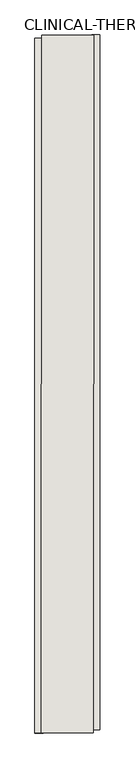
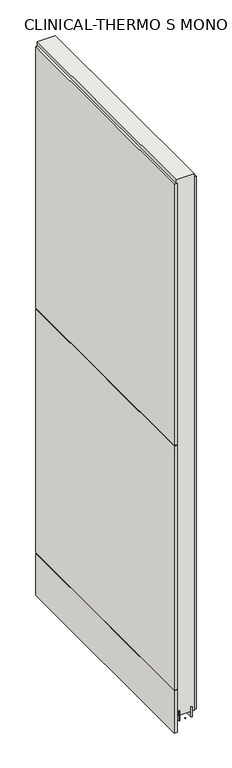
"""IFC4 building model written with IfcOpenShell, lengths in millimetres: wall geometry, CLINICAL-THERMO S MONO 340289 : CLINICAL-THERMO S MONO 340289."""

import ifcopenshell
import ifcopenshell.guid

model = None  # the IFC model being written
_history = None  # IfcOwnerHistory: only IFC2X3 demands one
_inside = {}  # id of a spatial element -> (the spatial element, [elements in it])
_under = {}  # id of a project, library or spatial element -> (it, [spatial elements below it])
_declared = {}  # id of a project -> (the project, [libraries it declares])
_typed = {}  # id of a type object -> (the type object, [elements of that type])
_made_of = {}  # id of a material, layer set ... -> (it, [elements and type objects made of it])


def new_model(schema):
    """Start an empty IFC model of exactly this schema.

    Asked for "IFC4X3", IfcOpenShell would pick the latest addendum, in which some entities
    have other attributes; the version numbers below select the first issue.
    IFC2X3 requires an IfcOwnerHistory on every rooted entity: one is made here for all.
    """
    global model, _history
    if schema == "IFC4X3":
        model = ifcopenshell.file(schema_version=(4, 3, 0, 0))
    else:
        model = ifcopenshell.file(schema=schema)
    _inside.clear()
    _under.clear()
    _declared.clear()
    _typed.clear()
    _made_of.clear()
    _history = None
    if model.schema == "IFC2X3":
        org = make("IfcOrganization", Name="unknown")
        user = make(
            "IfcPersonAndOrganization",
            ThePerson=make("IfcPerson", FamilyName="unknown"),
            TheOrganization=org,
        )
        app = make(
            "IfcApplication",
            ApplicationDeveloper=org,
            Version="unknown",
            ApplicationFullName="unknown",
            ApplicationIdentifier="unknown",
        )
        _history = make(
            "IfcOwnerHistory",
            OwningUser=user,
            OwningApplication=app,
            ChangeAction="ADDED",
            CreationDate=0,
        )
    return model


def make(cls, **values):
    """One entity of the class cls with the attributes given. An attribute that is None is left unset."""
    return model.create_entity(
        cls, **{name: value for name, value in values.items() if value is not None}
    )


def rooted(cls, **values):
    """An entity with a GlobalId (a new one), such as an element, a storey or a relation."""
    return make(cls, GlobalId=ifcopenshell.guid.new(), OwnerHistory=_history, **values)


def si_unit(unit_type, name, prefix=None):
    """IfcSIUnit, for example si_unit("LENGTHUNIT", "METRE", prefix="MILLI")."""
    return make("IfcSIUnit", UnitType=unit_type, Prefix=prefix, Name=name)


def assignment(units):
    """IfcUnitAssignment: the units of a project."""
    return None if units is None else make("IfcUnitAssignment", Units=units)


def point(xyz):
    """IfcCartesianPoint."""
    return None if xyz is None else make("IfcCartesianPoint", Coordinates=xyz)


def direction(xyz):
    """IfcDirection."""
    return None if xyz is None else make("IfcDirection", DirectionRatios=xyz)


def frame(location, z_axis=None, x_axis=None):
    """IfcAxis2Placement3D, a coordinate frame: its origin and axes. An axis left out is left unset."""
    return make(
        "IfcAxis2Placement3D",
        Location=point(location),
        Axis=direction(z_axis),
        RefDirection=direction(x_axis),
    )


def origin():
    """The frame at (0, 0, 0) with its axes left unset."""
    return frame((0.0, 0.0, 0.0))


def place(relative_to, where):
    """IfcLocalPlacement: puts the frame where relative to a parent placement (None: the world)."""
    return make(
        "IfcLocalPlacement", PlacementRelTo=relative_to, RelativePlacement=where
    )


def context(
    kind, dimensions, precision=None, world=None, true_north=None, identifier=None
):
    """IfcGeometricRepresentationContext, for example the 3D "Model" context."""
    return make(
        "IfcGeometricRepresentationContext",
        ContextIdentifier=identifier,
        ContextType=kind,
        CoordinateSpaceDimension=dimensions,
        Precision=precision,
        WorldCoordinateSystem=world,
        TrueNorth=true_north,
    )


def project(units=None, contexts=None):
    """IfcProject with its units and contexts."""
    return rooted(
        "IfcProject",
        Name="project",
        RepresentationContexts=contexts,
        UnitsInContext=assignment(units),
    )


def spatial(cls, under=None, at=None, **own):
    """A site, building, storey or space (cls), placed at a placement, below another one or the project."""
    s = rooted(cls, ObjectPlacement=at, **own)
    if under is not None:
        _under.setdefault(under.id(), (under, []))[1].append(s)
    return s


def polyline(points):
    """IfcPolyline through the points."""
    return make("IfcPolyline", Points=[point(p) for p in points])


def outline(outer, holes=None, kind="AREA"):
    """IfcArbitraryClosedProfileDef: a profile drawn as a closed curve; with holes, ...WithVoids."""
    if holes is None:
        return make("IfcArbitraryClosedProfileDef", ProfileType=kind, OuterCurve=outer)
    return make(
        "IfcArbitraryProfileDefWithVoids",
        ProfileType=kind,
        OuterCurve=outer,
        InnerCurves=holes,
    )


def extrude(swept, where, along, depth):
    """IfcExtrudedAreaSolid: the profile swept, set in the frame where, extruded along a direction by depth."""
    return make(
        "IfcExtrudedAreaSolid",
        SweptArea=swept,
        Position=where,
        ExtrudedDirection=direction(along),
        Depth=depth,
    )


def shape(context_of_items, identifier, shape_type, items):
    """IfcShapeRepresentation: the items that make up one representation, for example the "Body"."""
    return make(
        "IfcShapeRepresentation",
        ContextOfItems=context_of_items,
        RepresentationIdentifier=identifier,
        RepresentationType=shape_type,
        Items=items,
    )


def source(mapping_origin, context_of_items, identifier, shape_type, items):
    """IfcRepresentationMap: a shape defined once, which mapped items show again and again."""
    return make(
        "IfcRepresentationMap",
        MappingOrigin=mapping_origin,
        MappedRepresentation=shape(context_of_items, identifier, shape_type, items),
    )


def transform(
    local_origin,
    x_axis=None,
    y_axis=None,
    z_axis=None,
    scale=None,
    scale2=None,
    scale3=None,
    uniform=True,
):
    """IfcCartesianTransformationOperator3D, or its non-uniform kind. x_axis, y_axis, z_axis: its Axis1, 2, 3."""
    if uniform:
        return make(
            "IfcCartesianTransformationOperator3D",
            Axis1=direction(x_axis),
            Axis2=direction(y_axis),
            LocalOrigin=point(local_origin),
            Scale=scale,
            Axis3=direction(z_axis),
        )
    return make(
        "IfcCartesianTransformationOperator3DnonUniform",
        Axis1=direction(x_axis),
        Axis2=direction(y_axis),
        LocalOrigin=point(local_origin),
        Scale=scale,
        Axis3=direction(z_axis),
        Scale2=scale2,
        Scale3=scale3,
    )


def mapped(mapping_source, mapping_target):
    """IfcMappedItem: shows the shape of a source again, moved by a transform."""
    return make(
        "IfcMappedItem", MappingSource=mapping_source, MappingTarget=mapping_target
    )


def made_of(thing, what):
    """Note that an element or type object is made of a material, layer set ...; save() writes the relation."""
    if what is not None:
        _made_of.setdefault(what.id(), (what, []))[1].append(thing)
    return thing


def element(
    cls,
    number,
    at=None,
    inside=None,
    cuts=None,
    type_object=None,
    material=None,
    context=None,
    identifier="Body",
    shape_type=None,
    held_by="IfcProductDefinitionShape",
    body=None,
    shapes=None,
    **own,
):
    """One element of the class cls, such as IfcWall. Its Tag is "e" and its number.

    at: its placement. inside: the storey or other place that contains it. cuts: it is an
    opening in that element (IfcRelVoidsElement). A single representation is given by context,
    identifier, shape_type and body (its items); several are given by shapes. held_by: the class
    of the entity that holds the representations. save() writes the other relations.
    """
    e = rooted(cls, Tag="e%d" % number, ObjectPlacement=at, **own)
    if body is not None:
        shapes = [shape(context, identifier, shape_type, body)]
    if shapes is not None:
        e.Representation = make(held_by, Representations=shapes)
    if inside is not None:
        _inside.setdefault(inside.id(), (inside, []))[1].append(e)
    if cuts is not None:
        rooted(
            "IfcRelVoidsElement", RelatingBuildingElement=cuts, RelatedOpeningElement=e
        )
    if type_object is not None:
        _typed.setdefault(type_object.id(), (type_object, []))[1].append(e)
    return made_of(e, material)


def aggregate(whole, parts):
    """IfcRelAggregates: a whole, such as a stair, and the parts it consists of."""
    return rooted("IfcRelAggregates", RelatingObject=whole, RelatedObjects=parts)


def save(model, path):
    """Write the relations noted so far, then the file.

    IfcRelAggregates (storeys below a building ...), IfcRelContainedInSpatialStructure (elements
    in a storey), IfcRelDefinesByType, IfcRelAssociatesMaterial and IfcRelDeclares: one each for
    every whole, place, type object, material and project.
    """
    for whole, parts in _under.values():
        aggregate(whole, parts)
    for where, things in _inside.values():
        rooted(
            "IfcRelContainedInSpatialStructure",
            RelatedElements=things,
            RelatingStructure=where,
        )
    for kind, things in _typed.values():
        rooted("IfcRelDefinesByType", RelatedObjects=things, RelatingType=kind)
    for what, things in _made_of.values():
        rooted("IfcRelAssociatesMaterial", RelatedObjects=things, RelatingMaterial=what)
    for by, libraries in _declared.values():
        rooted("IfcRelDeclares", RelatingContext=by, RelatedDefinitions=libraries)
    model.write(path)


def clinical_thermo_s_mono_340289_clinical_thermo_s_mono_340289_b33a8e35(model_context):
    return source(origin(), model_context, "Body", "SweptSolid", [
        extrude(outline(polyline([(86790.1455202, -38941.0823158), (86790.1455202, -38938.5423158), (86792.6855202, -38938.5423158), (86792.6855202, -38941.0823158), (86790.1455202, -38941.0823158)])), frame((0.0, 0.0, 4419.6), z_axis=(0.0, 0.0, 1.0), x_axis=(1.0, 0.0, 0.0)), (0.0, 0.0, 1.0), 2.54),
        extrude(outline(polyline([(86842.4015752, -37851.1648995), (86842.4015752, -38936.6317913), (86829.7015752, -38936.6317913), (86829.7015752, -37851.1648995), (86842.4015752, -37851.1648995)])), frame((0.0, 0.0, 4445.0), z_axis=(0.0, 0.0, 1.0), x_axis=(1.0, 0.0, 0.0)), (0.0, 0.0, 1.0), 2545.0498756),
        extrude(outline(polyline([(86740.8077728, -38941.5307147), (86740.8077728, -37856.0638229), (86753.5077728, -37856.0638229), (86753.5077728, -38941.5307147), (86740.8077728, -38941.5307147)])), frame((0.0, 0.0, 4573.9999706), z_axis=(0.0, 0.0, 1.0), x_axis=(1.0, 0.0, 0.0)), (0.0, 0.0, 1.0), 1164.400008),
        extrude(outline(polyline([(86740.8077728, -38941.5307147), (86740.8077728, -37856.0638229), (86753.5077728, -37856.0638229), (86753.5077728, -38941.5307147), (86740.8077728, -38941.5307147)])), frame((0.0, 0.0, 5742.4000722), z_axis=(0.0, 0.0, 1.0), x_axis=(1.0, 0.0, 0.0)), (0.0, 0.0, 1.0), 1247.649905),
        extrude(outline(polyline([(86740.8077728, -38941.5307147), (86740.8077728, -37856.0638229), (86753.5077728, -37856.0638229), (86753.5077728, -38941.5307147), (86740.8077728, -38941.5307147)])), frame((0.0, 0.0, 4368.1000014), z_axis=(0.0, 0.0, 1.0), x_axis=(1.0, 0.0, 0.0)), (0.0, 0.0, 1.0), 201.9000026),
        extrude(outline(polyline([(86816.4868696, -38941.0959556), (86816.8713494, -37851.6120538), (86821.9501048, -37851.6399684), (86821.5966384, -38941.0959556), (86816.4868696, -38941.0959556)])), frame((0.0, 0.0, 4418.6602), z_axis=(0.0, 0.0, 1.0), x_axis=(1.0, 0.0, 0.0)), (0.0, 0.0, 1.0), 47.625),
        extrude(outline(polyline([(86816.4868696, -38941.0959556), (86816.8713494, -37851.6120538), (86821.9501048, -37851.6399684), (86821.5966384, -38941.0959556), (86816.4868696, -38941.0959556)])), frame((0.0, 0.0, 4418.6602), z_axis=(0.0, 0.0, 1.0), x_axis=(1.0, 0.0, 0.0)), (0.0, 0.0, 1.0), 47.625),
        extrude(outline(polyline([(86766.7038602, -37851.6120538), (86766.3503938, -38941.0711398), (86761.2716384, -38941.0711398), (86761.6251048, -37851.6120538), (86766.7038602, -37851.6120538)])), frame((0.0, 0.0, 4418.6602), z_axis=(0.0, 0.0, 1.0), x_axis=(1.0, 0.0, 0.0)), (0.0, 0.0, 1.0), 47.625),
        extrude(outline(polyline([(86766.7038602, -37851.6120538), (86766.3503938, -38941.0711398), (86761.2716384, -38941.0711398), (86761.6251048, -37851.6120538), (86766.7038602, -37851.6120538)])), frame((0.0, 0.0, 4418.6602), z_axis=(0.0, 0.0, 1.0), x_axis=(1.0, 0.0, 0.0)), (0.0, 0.0, 1.0), 47.625),
        extrude(outline(polyline([(86832.0580094, -38941.0959556), (86750.779254, -38941.0711398), (86751.1575108, -37851.5872634), (86832.4424892, -37851.6399684), (86832.0580094, -38941.0959556)])), frame((0.0, 0.0, 4445.0), z_axis=(0.0, 0.0, 1.0), x_axis=(1.0, 0.0, 0.0)), (0.0, 0.0, 1.0), 2562.4536762),
    ])


if __name__ == "__main__":
    model = new_model("IFC4")
    model_context = context("Model", 3, world=origin())
    ifc_project = project(units=[si_unit("LENGTHUNIT", "METRE", prefix="MILLI")], contexts=[model_context])
    site = spatial("IfcSite", under=ifc_project)
    building = spatial("IfcBuilding", under=site)
    placement = place(None, origin())
    clinical_thermo_s_mono_340289_clinical_thermo_s_mono_340289_shape = clinical_thermo_s_mono_340289_clinical_thermo_s_mono_340289_b33a8e35(model_context)
    element("IfcWall", 1, ObjectType="CLINICAL-THERMO S MONO 340289 : CLINICAL-THERMO S MONO 340289", at=placement, inside=building, context=model_context, shape_type="MappedRepresentation", body=[
        mapped(clinical_thermo_s_mono_340289_clinical_thermo_s_mono_340289_shape, transform((0.0, 0.0, 0.0), x_axis=(1.0, 0.0, 0.0), y_axis=(0.0, 1.0, 0.0), z_axis=(0.0, 0.0, 1.0))),
    ])
    save(model, "model.ifc")
